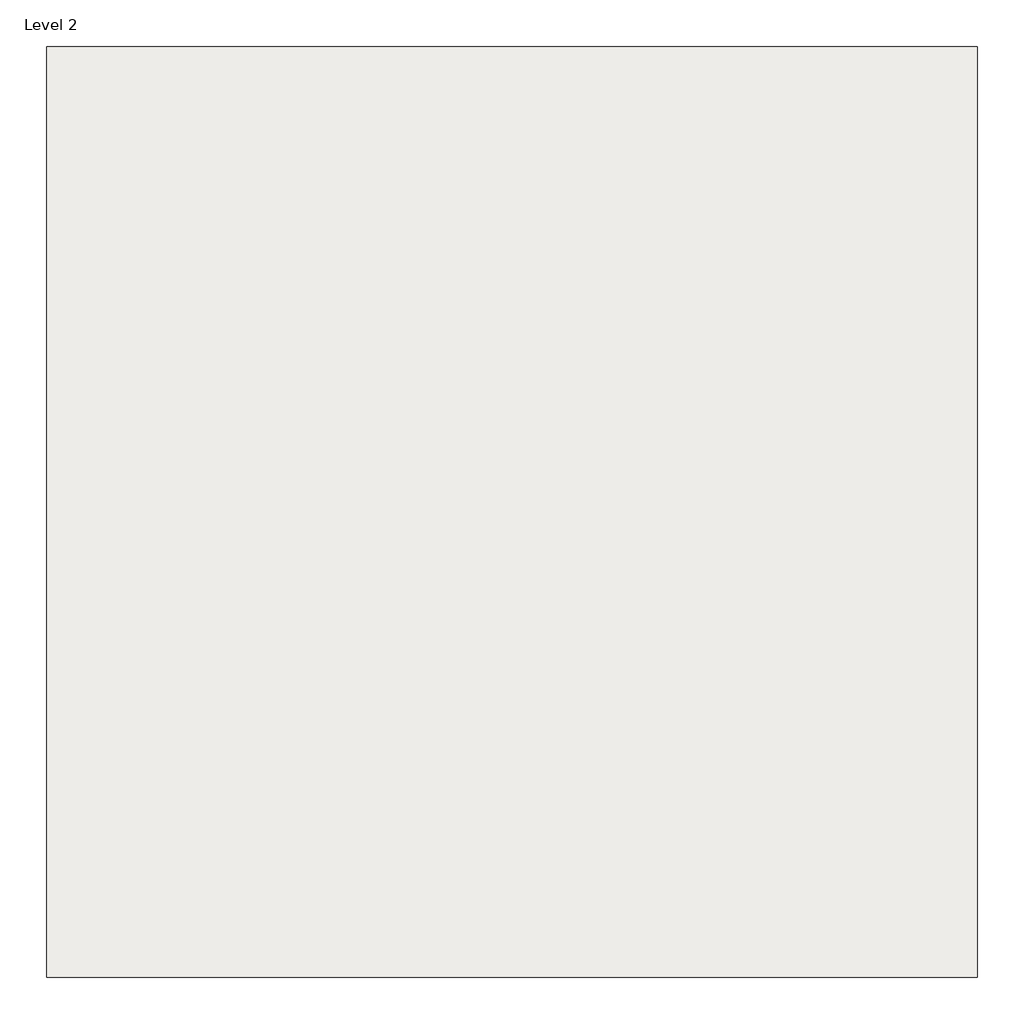
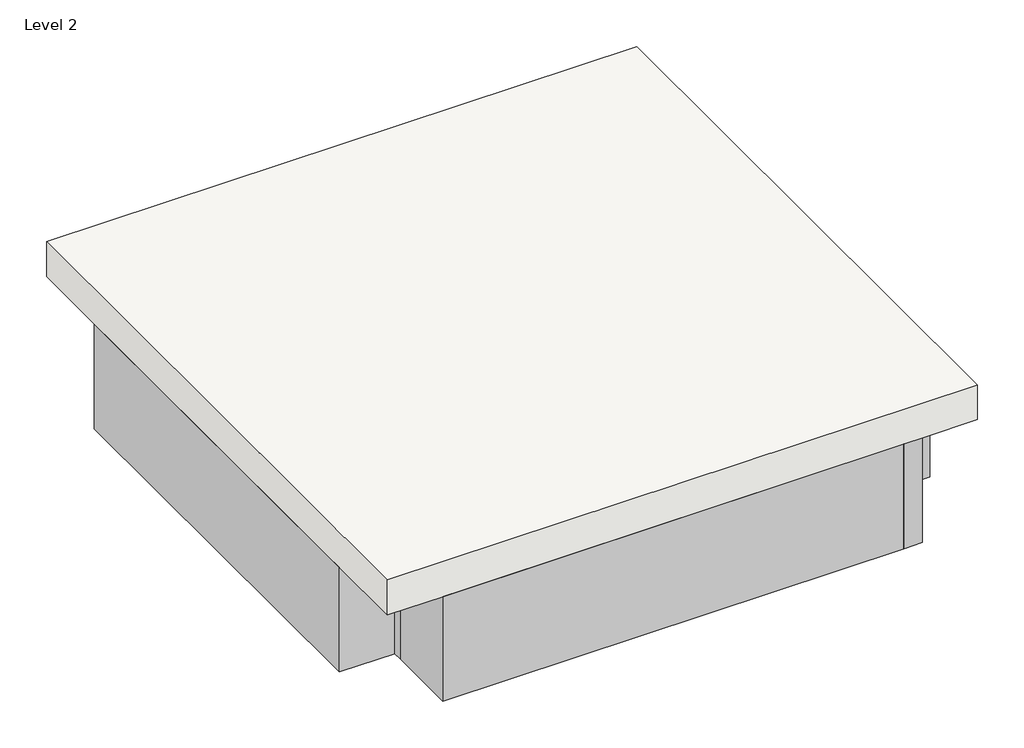
# One storey: 4 beams, 1 slab.
"""IFC4 building model written with IfcOpenShell, lengths in millimetres."""

from ifc_helpers import new_model, si_unit, frame, origin, place, context, project, spatial, polyline, outline, extrude, faceted_brep, element, save

model = new_model("IFC4")

# Units and contexts
model_context = context("Model", 3, world=origin())
ifc_project = project(units=[si_unit("LENGTHUNIT", "METRE", prefix="MILLI")], contexts=[model_context])

# Site, building, storey
site = spatial("IfcSite", under=ifc_project)
building = spatial("IfcBuilding", under=site)
storey = spatial("IfcBuildingStorey", under=building, Name="Level 2", Elevation=4000.0)

# Beams
placement = place(None, origin())
element("IfcBeam", 1, ObjectType="Concrete - Rectangular Beam : 400 x 800mm", at=placement, inside=storey, context=model_context, shape_type="Brep", body=[
    faceted_brep([(2720.1900238, 3121.0213777, 3200.0), (2820.1900238, 3121.0213777, 3200.0), (5220.1900238, 3121.0213777, 3200.0), (5320.1900238, 3121.0213777, 3200.0), (5320.1900238, 3121.0213777, 3800.0), (5220.1900238, 3121.0213777, 3800.0), (2820.1900238, 3121.0213777, 3800.0), (2720.1900238, 3121.0213777, 3800.0), (5320.1900238, 3521.0213777, 3200.0), (2720.1900238, 3521.0213777, 3200.0), (2720.1900238, 3521.0213777, 3800.0), (5320.1900238, 3521.0213777, 3800.0)], [[[0, 1, 2, 3, 4, 5, 6, 7]], [[8, 3, 2, 1, 0, 9]], [[8, 9, 10, 11]], [[3, 8, 11, 4]], [[9, 0, 7, 10]], [[7, 6, 5, 4, 11, 10]]]),
])
element("IfcBeam", 2, ObjectType="Concrete - Rectangular Beam : 400 x 800mm", at=placement, inside=storey, context=model_context, shape_type="Brep", body=[
    faceted_brep([(5220.1900238, 3121.0213777, 3200.0), (5220.1900238, 721.0213777, 3200.0), (5220.1900238, 321.0213777, 3200.0), (5220.1900238, 321.0213777, 3800.0), (5220.1900238, 721.0213777, 3800.0), (5220.1900238, 3121.0213777, 3800.0), (5320.1900238, 3121.0213777, 3200.0), (5320.1900238, 3071.0213777, 3200.0), (5620.1900238, 3071.0213777, 3200.0), (5620.1900238, 771.0213777, 3200.0), (5320.1900238, 771.0213777, 3200.0), (5320.1900238, 321.0213777, 3200.0), (5620.1900238, 3071.0213777, 3800.0), (5620.1900238, 771.0213777, 3800.0), (5320.1900238, 3121.0213777, 3800.0), (5320.1900238, 3071.0213777, 3800.0), (5320.1900238, 771.0213777, 3800.0), (5320.1900238, 321.0213777, 3800.0)], [[[0, 1, 2, 3, 4, 5]], [[0, 6, 7, 8, 9, 10, 11, 2, 1]], [[9, 8, 12, 13]], [[6, 0, 5, 14]], [[8, 7, 15, 12]], [[7, 6, 14, 15]], [[11, 10, 16, 17]], [[10, 9, 13, 16]], [[2, 11, 17, 3]], [[5, 4, 3, 17, 16, 13, 12, 15, 14]]]),
])
element("IfcBeam", 3, ObjectType="Concrete - Rectangular Beam : 400 x 800mm", at=placement, inside=storey, context=model_context, shape_type="Brep", body=[
    faceted_brep([(5220.1900238, 721.0213777, 3200.0), (2820.1900238, 721.0213777, 3200.0), (2720.1900238, 721.0213777, 3200.0), (2720.1900238, 721.0213777, 3800.0), (2820.1900238, 721.0213777, 3800.0), (5220.1900238, 721.0213777, 3800.0), (5220.1900238, 321.0213777, 3200.0), (2720.1900238, 321.0213777, 3200.0), (5220.1900238, 321.0213777, 3800.0), (2720.1900238, 321.0213777, 3800.0)], [[[0, 1, 2, 3, 4, 5]], [[0, 6, 7, 2, 1]], [[7, 6, 8, 9]], [[6, 0, 5, 8]], [[2, 7, 9, 3]], [[5, 4, 3, 9, 8]]]),
])
element("IfcBeam", 4, ObjectType="Concrete - Rectangular Beam : 400 x 800mm", at=placement, inside=storey, context=model_context, shape_type="SweptSolid", body=[
    extrude(outline(polyline([(2820.1900238, 3121.0213777), (2820.1900238, 721.0213777), (2720.1900238, 721.0213777), (2720.1900238, 771.0213777), (2420.1900238, 771.0213777), (2420.1900238, 3071.0213777), (2720.1900238, 3071.0213777), (2720.1900238, 3121.0213777), (2820.1900238, 3121.0213777)])), frame((0.0, 0.0, 3200.0), z_axis=(0.0, 0.0, 1.0), x_axis=(1.0, 0.0, 0.0)), (0.0, 0.0, 1.0), 600.0),
])

# Slab
element("IfcSlab", 5, ObjectType="Floor 1", at=placement, inside=storey, context=model_context, shape_type="Brep", body=[
    faceted_brep([(2420.1900238, 3521.0213777, 3800.0), (2720.1900238, 3521.0213777, 3800.0), (5320.1900238, 3521.0213777, 3800.0), (5620.1900238, 3521.0213777, 3800.0), (5620.1900238, 3071.0213777, 3800.0), (5620.1900238, 771.0213777, 3800.0), (5620.1900238, 321.0213777, 3800.0), (5320.1900238, 321.0213777, 3800.0), (5220.1900238, 321.0213777, 3800.0), (2720.1900238, 321.0213777, 3800.0), (2420.1900238, 321.0213777, 3800.0), (2420.1900238, 771.0213777, 3800.0), (2420.1900238, 3071.0213777, 3800.0), (2420.1900238, 3521.0213777, 4000.0), (2420.1900238, 321.0213777, 4000.0), (5620.1900238, 321.0213777, 4000.0), (5620.1900238, 3521.0213777, 4000.0)], [[[0, 1, 2, 3, 4, 5, 6, 7, 8, 9, 10, 11, 12]], [[13, 14, 15, 16]], [[3, 2, 1, 0, 13, 16]], [[6, 5, 4, 3, 16, 15]], [[10, 9, 8, 7, 6, 15, 14]], [[0, 12, 11, 10, 14, 13]]]),
])

save(model, "model.ifc")
